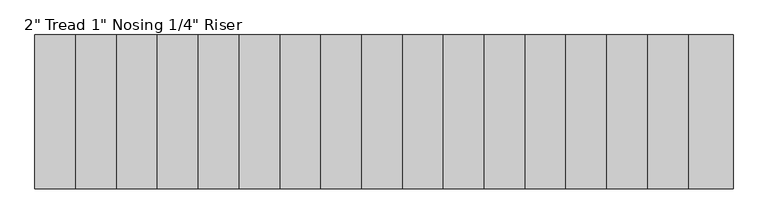
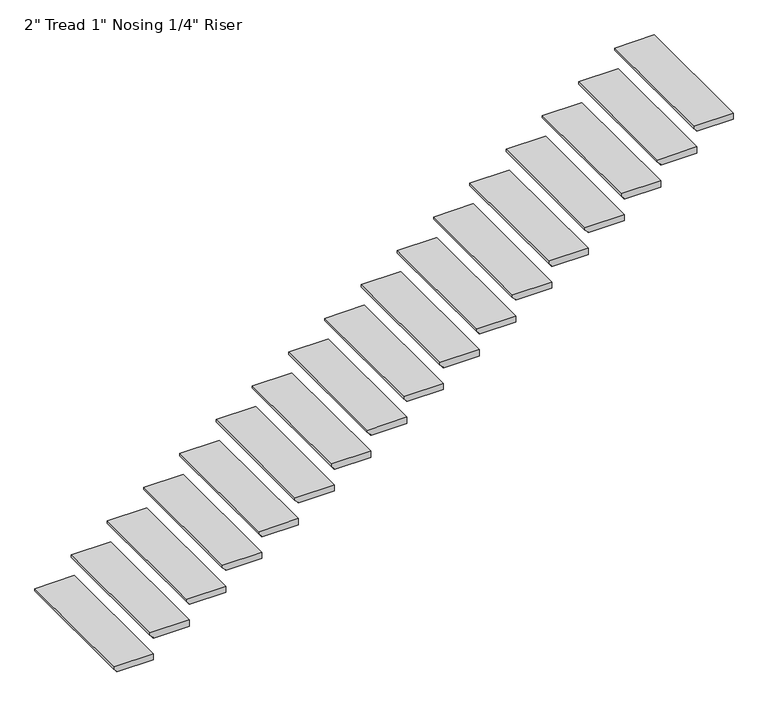
"""IFC4 building model written with IfcOpenShell, lengths in millimetres: stair flight geometry."""

from ifc_helpers import new_model, si_unit, frame, origin, place, context, project, spatial, polyline, outline, extrude, source, transform, mapped, element, save


def stair_flight_c6819c2b(model_context):
    return source(origin(), model_context, "Body", "SweptSolid", [
        extrude(outline(polyline([(177.7777778, -2898.8630661), (177.7777778, -3203.6630661), (158.7277778, -3203.6630661), (133.3277778, -3178.2630661), (126.9777778, -3178.2630661), (126.9777778, -2898.8630661), (177.7777778, -2898.8630661)])), frame((0.0, -6167.782756, 0.0), z_axis=(0.0, 1.0, 0.0), x_axis=(0.0, 0.0, 1.0)), (0.0, 0.0, 1.0), 1051.4706775),
        extrude(outline(polyline([(355.5555556, -2619.4630661), (355.5555556, -2924.2630661), (336.5055556, -2924.2630661), (311.1055556, -2898.8630661), (304.7555556, -2898.8630661), (304.7555556, -2619.4630661), (355.5555556, -2619.4630661)])), frame((0.0, -6167.782756, 0.0), z_axis=(0.0, 1.0, 0.0), x_axis=(0.0, 0.0, 1.0)), (0.0, 0.0, 1.0), 1051.4706775),
        extrude(outline(polyline([(533.3333333, -2340.0630661), (533.3333333, -2644.8630661), (514.2833333, -2644.8630661), (488.8833333, -2619.4630661), (482.5333333, -2619.4630661), (482.5333333, -2340.0630661), (533.3333333, -2340.0630661)])), frame((0.0, -6167.782756, 0.0), z_axis=(0.0, 1.0, 0.0), x_axis=(0.0, 0.0, 1.0)), (0.0, 0.0, 1.0), 1051.4706775),
        extrude(outline(polyline([(711.1111111, -2060.6630661), (711.1111111, -2365.4630661), (692.0611111, -2365.4630661), (666.6611111, -2340.0630661), (660.3111111, -2340.0630661), (660.3111111, -2060.6630661), (711.1111111, -2060.6630661)])), frame((0.0, -6167.782756, 0.0), z_axis=(0.0, 1.0, 0.0), x_axis=(0.0, 0.0, 1.0)), (0.0, 0.0, 1.0), 1051.4706775),
        extrude(outline(polyline([(888.8888889, -1781.2630661), (888.8888889, -2086.0630661), (869.8388889, -2086.0630661), (844.4388889, -2060.6630661), (838.0888889, -2060.6630661), (838.0888889, -1781.2630661), (888.8888889, -1781.2630661)])), frame((0.0, -6167.782756, 0.0), z_axis=(0.0, 1.0, 0.0), x_axis=(0.0, 0.0, 1.0)), (0.0, 0.0, 1.0), 1051.4706775),
        extrude(outline(polyline([(1066.6666667, -1501.8630661), (1066.6666667, -1806.6630661), (1047.6166667, -1806.6630661), (1022.2166667, -1781.2630661), (1015.8666667, -1781.2630661), (1015.8666667, -1501.8630661), (1066.6666667, -1501.8630661)])), frame((0.0, -6167.782756, 0.0), z_axis=(0.0, 1.0, 0.0), x_axis=(0.0, 0.0, 1.0)), (0.0, 0.0, 1.0), 1051.4706775),
        extrude(outline(polyline([(1244.4444444, -1222.4630661), (1244.4444444, -1527.2630661), (1225.3944444, -1527.2630661), (1199.9944444, -1501.8630661), (1193.6444444, -1501.8630661), (1193.6444444, -1222.4630661), (1244.4444444, -1222.4630661)])), frame((0.0, -6167.782756, 0.0), z_axis=(0.0, 1.0, 0.0), x_axis=(0.0, 0.0, 1.0)), (0.0, 0.0, 1.0), 1051.4706775),
        extrude(outline(polyline([(1422.2222222, -943.0630661), (1422.2222222, -1247.8630661), (1403.1722222, -1247.8630661), (1377.7722222, -1222.4630661), (1371.4222222, -1222.4630661), (1371.4222222, -943.0630661), (1422.2222222, -943.0630661)])), frame((0.0, -6167.782756, 0.0), z_axis=(0.0, 1.0, 0.0), x_axis=(0.0, 0.0, 1.0)), (0.0, 0.0, 1.0), 1051.4706775),
        extrude(outline(polyline([(1600.0, -663.6630661), (1600.0, -968.4630661), (1580.95, -968.4630661), (1555.55, -943.0630661), (1549.2, -943.0630661), (1549.2, -663.6630661), (1600.0, -663.6630661)])), frame((0.0, -6167.782756, 0.0), z_axis=(0.0, 1.0, 0.0), x_axis=(0.0, 0.0, 1.0)), (0.0, 0.0, 1.0), 1051.4706775),
        extrude(outline(polyline([(1777.7777778, -384.2630661), (1777.7777778, -689.0630661), (1758.7277778, -689.0630661), (1733.3277778, -663.6630661), (1726.9777778, -663.6630661), (1726.9777778, -384.2630661), (1777.7777778, -384.2630661)])), frame((0.0, -6167.782756, 0.0), z_axis=(0.0, 1.0, 0.0), x_axis=(0.0, 0.0, 1.0)), (0.0, 0.0, 1.0), 1051.4706775),
        extrude(outline(polyline([(1955.5555556, -104.8630661), (1955.5555556, -409.6630661), (1936.5055556, -409.6630661), (1911.1055556, -384.2630661), (1904.7555556, -384.2630661), (1904.7555556, -104.8630661), (1955.5555556, -104.8630661)])), frame((0.0, -6167.782756, 0.0), z_axis=(0.0, 1.0, 0.0), x_axis=(0.0, 0.0, 1.0)), (0.0, 0.0, 1.0), 1051.4706775),
        extrude(outline(polyline([(2133.3333333, 174.5369339), (2133.3333333, -130.2630661), (2114.2833333, -130.2630661), (2088.8833333, -104.8630661), (2082.5333333, -104.8630661), (2082.5333333, 174.5369339), (2133.3333333, 174.5369339)])), frame((0.0, -6167.782756, 0.0), z_axis=(0.0, 1.0, 0.0), x_axis=(0.0, 0.0, 1.0)), (0.0, 0.0, 1.0), 1051.4706775),
        extrude(outline(polyline([(2311.1111111, 453.9369339), (2311.1111111, 149.1369339), (2292.0611111, 149.1369339), (2266.6611111, 174.5369339), (2260.3111111, 174.5369339), (2260.3111111, 453.9369339), (2311.1111111, 453.9369339)])), frame((0.0, -6167.782756, 0.0), z_axis=(0.0, 1.0, 0.0), x_axis=(0.0, 0.0, 1.0)), (0.0, 0.0, 1.0), 1051.4706775),
        extrude(outline(polyline([(2488.8888889, 733.3369339), (2488.8888889, 428.5369339), (2469.8388889, 428.5369339), (2444.4388889, 453.9369339), (2438.0888889, 453.9369339), (2438.0888889, 733.3369339), (2488.8888889, 733.3369339)])), frame((0.0, -6167.782756, 0.0), z_axis=(0.0, 1.0, 0.0), x_axis=(0.0, 0.0, 1.0)), (0.0, 0.0, 1.0), 1051.4706775),
        extrude(outline(polyline([(2666.6666667, 1012.7369339), (2666.6666667, 707.9369339), (2647.6166667, 707.9369339), (2622.2166667, 733.3369339), (2615.8666667, 733.3369339), (2615.8666667, 1012.7369339), (2666.6666667, 1012.7369339)])), frame((0.0, -6167.782756, 0.0), z_axis=(0.0, 1.0, 0.0), x_axis=(0.0, 0.0, 1.0)), (0.0, 0.0, 1.0), 1051.4706775),
        extrude(outline(polyline([(2844.4444444, 1292.1369339), (2844.4444444, 987.3369339), (2825.3944444, 987.3369339), (2799.9944444, 1012.7369339), (2793.6444444, 1012.7369339), (2793.6444444, 1292.1369339), (2844.4444444, 1292.1369339)])), frame((0.0, -6167.782756, 0.0), z_axis=(0.0, 1.0, 0.0), x_axis=(0.0, 0.0, 1.0)), (0.0, 0.0, 1.0), 1051.4706775),
        extrude(outline(polyline([(3022.2222222, 1571.5369339), (3022.2222222, 1266.7369339), (3003.1722222, 1266.7369339), (2977.7722222, 1292.1369339), (2971.4222222, 1292.1369339), (2971.4222222, 1571.5369339), (3022.2222222, 1571.5369339)])), frame((0.0, -6167.782756, 0.0), z_axis=(0.0, 1.0, 0.0), x_axis=(0.0, 0.0, 1.0)), (0.0, 0.0, 1.0), 1051.4706775),
    ])


if __name__ == "__main__":
    model = new_model("IFC4")
    model_context = context("Model", 3, world=origin())
    ifc_project = project(units=[si_unit("LENGTHUNIT", "METRE", prefix="MILLI")], contexts=[model_context])
    site = spatial("IfcSite", under=ifc_project)
    building = spatial("IfcBuilding", under=site)
    placement = place(None, origin())
    stair_flight_shape = stair_flight_c6819c2b(model_context)
    element("IfcStairFlight", 1, ObjectType="2\" Tread 1\" Nosing 1/4\" Riser", at=placement, inside=building, context=model_context, shape_type="MappedRepresentation", body=[
        mapped(stair_flight_shape, transform((0.0, 0.0, 0.0), x_axis=(1.0, 0.0, 0.0), y_axis=(0.0, 1.0, 0.0), z_axis=(0.0, 0.0, 1.0))),
    ])
    save(model, "model.ifc")
